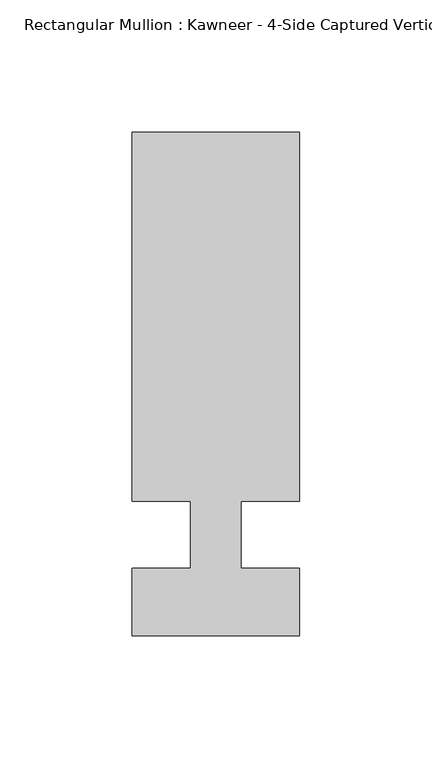
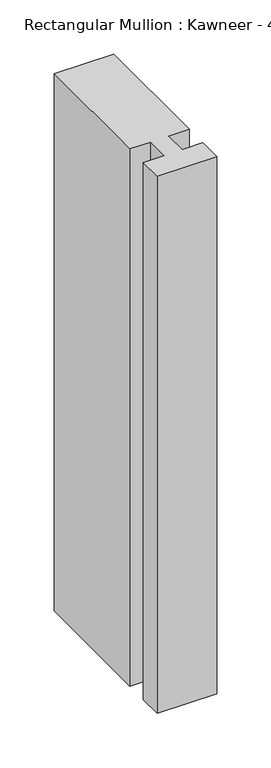
"""IFC4 building model written with IfcOpenShell, lengths in millimetres: member geometry."""

from ifc_helpers import new_model, si_unit, frame, origin, place, context, project, spatial, polyline, outline, extrude, source, transform, mapped, element, save


def member_064f9dd4(model_context):
    return source(origin(), model_context, "Body", "SweptSolid", [
        extrude(outline(polyline([(-9.5251132, -12.7), (-9.5251132, 12.7), (-31.75, 12.7), (-31.75, 152.399995), (31.75, 152.399995), (31.75, 12.7), (9.5251132, 12.7), (9.5251132, -12.7), (31.75, -12.7), (31.75, -38.1), (-31.75, -38.1), (-31.75, -12.7), (-9.5251132, -12.7)])), frame((0.0, 0.0, -606.4249623), z_axis=(0.0, 0.0, 1.0), x_axis=(1.0, 0.0, 0.0)), (0.0, 0.0, 1.0), 606.4249623),
    ])


if __name__ == "__main__":
    model = new_model("IFC4")
    model_context = context("Model", 3, world=origin())
    ifc_project = project(units=[si_unit("LENGTHUNIT", "METRE", prefix="MILLI")], contexts=[model_context])
    site = spatial("IfcSite", under=ifc_project)
    building = spatial("IfcBuilding", under=site)
    placement = place(None, origin())
    member_shape = member_064f9dd4(model_context)
    element("IfcMember", 1, ObjectType="Rectangular Mullion : Kawneer - 4-Side Captured Vertical Mullion - 7 1/2\"", at=placement, inside=building, context=model_context, shape_type="MappedRepresentation", body=[
        mapped(member_shape, transform((0.0, 0.0, 0.0), x_axis=(1.0, 0.0, 0.0), y_axis=(0.0, 1.0, 0.0), z_axis=(0.0, 0.0, 1.0))),
    ])
    save(model, "model.ifc")
